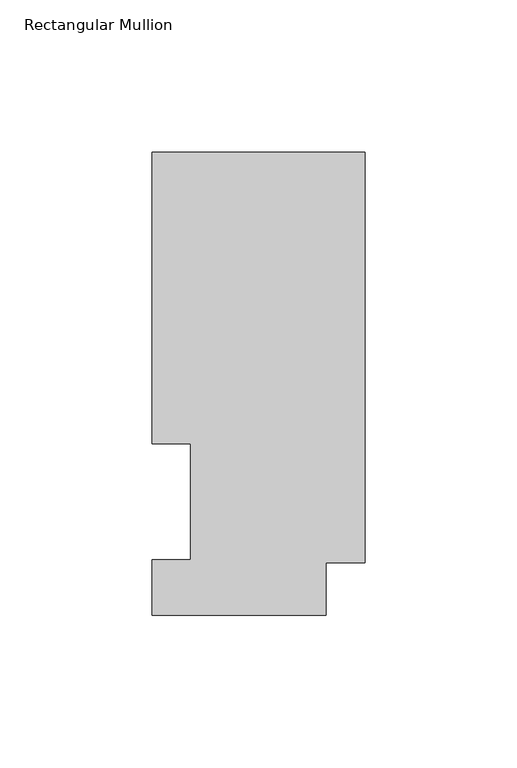
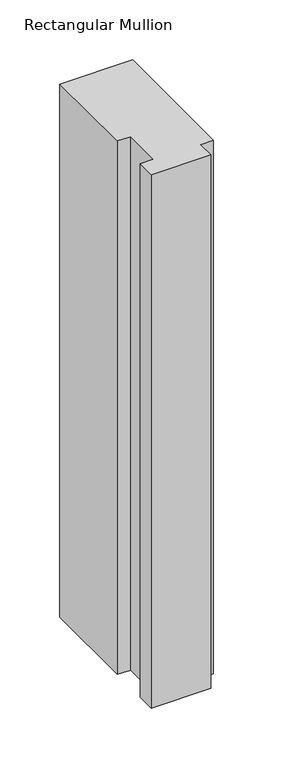
"""IFC4 building model written with IfcOpenShell, lengths in millimetres: member geometry, Rectangular Mullion."""

from ifc_helpers import new_model, si_unit, frame, origin, place, context, project, spatial, polyline, outline, extrude, source, transform, mapped, element, save


def rectangular_mullion_50c77fdb(model_context):
    return source(origin(), model_context, "Body", "SweptSolid", [
        extrude(outline(polyline([(0.0, 151.98725), (0.0, 17.2502496), (-12.7, 17.2502496), (-12.7, -0.03175), (-69.85, -0.03175), (-69.85, 18.25625), (-57.15, 18.25625), (-57.15, 56.35625), (-69.85, 56.35625), (-69.85, 151.98725), (0.0, 151.98725)])), frame((0.0, 0.0, -542.8996), z_axis=(0.0, 0.0, 1.0), x_axis=(1.0, 0.0, 0.0)), (0.0, 0.0, 1.0), 542.8996),
    ])


if __name__ == "__main__":
    model = new_model("IFC4")
    model_context = context("Model", 3, world=origin())
    ifc_project = project(units=[si_unit("LENGTHUNIT", "METRE", prefix="MILLI")], contexts=[model_context])
    site = spatial("IfcSite", under=ifc_project)
    building = spatial("IfcBuilding", under=site)
    placement = place(None, origin())
    rectangular_mullion_shape = rectangular_mullion_50c77fdb(model_context)
    element("IfcMember", 1, ObjectType="Rectangular Mullion", at=placement, inside=building, context=model_context, shape_type="MappedRepresentation", body=[
        mapped(rectangular_mullion_shape, transform((0.0, 0.0, 0.0), x_axis=(1.0, 0.0, 0.0), y_axis=(0.0, 1.0, 0.0), z_axis=(0.0, 0.0, 1.0))),
    ])
    save(model, "model.ifc")
